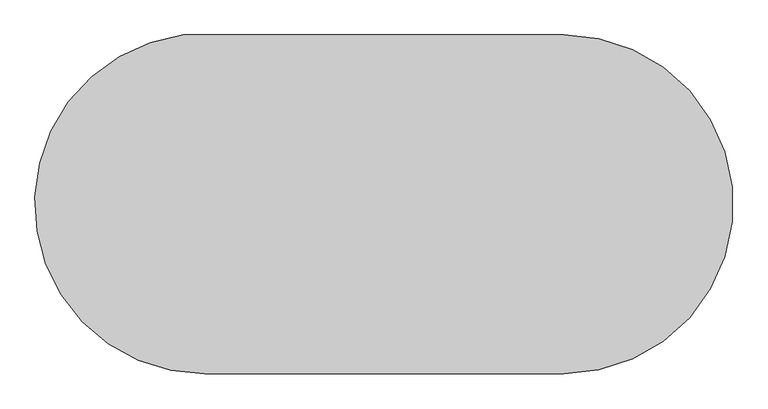
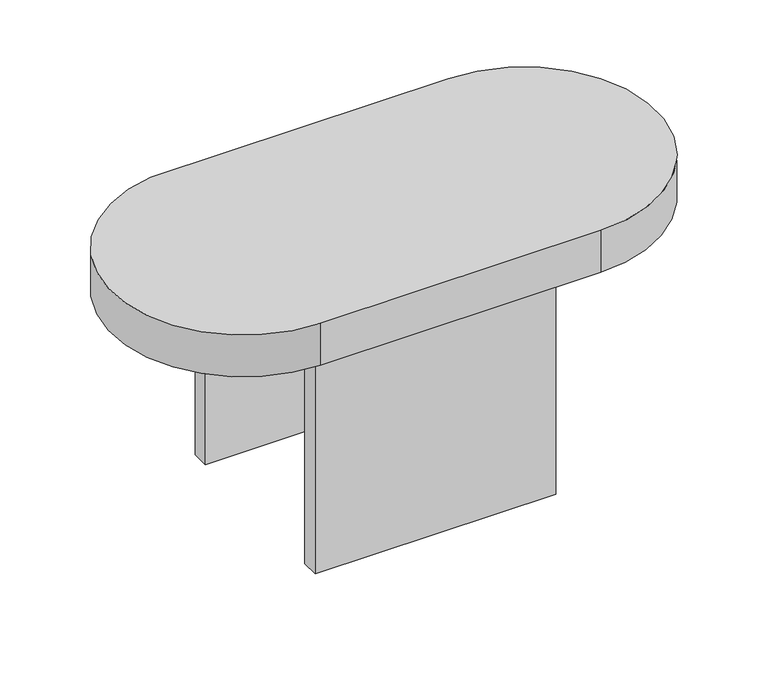
"""IFC4 building model written with IfcOpenShell, lengths in millimetres: furniture geometry."""

from ifc_helpers import new_model, si_unit, frame, origin, place, context, project, spatial, circle_curve, source, transform, mapped, element, save
from ifc_brep_helpers import plane_surface, cylinder_surface, advanced_brep


def furniture_6eb7ba29(model_context):
    return source(origin(), model_context, "Body", "AdvancedBrep", [
        advanced_brep(
        [(312.3276819, 280.0, 650.0), (-359.7199768, 280.0, 650.0), (-321.9406195, -318.5556238, 650.0), (312.3276819, -318.5556238, 650.0), (312.3276819, 280.0, 550.0), (312.3276819, -318.5556238, 550.0), (-321.9406195, -318.5556238, 550.0), (-359.7199768, 280.0, 550.0), (250.0, 180.0, 550.0), (250.0, 220.0, 550.0), (-294.3474472, 220.0, 550.0), (-294.3474472, 180.0, 550.0), (250.0, -250.0, 550.0), (250.0, -210.0, 550.0), (-294.3474472, -210.0, 550.0), (-294.3474472, -250.0, 550.0), (250.0, 220.0, 0.0), (250.0, 180.0, 0.0), (250.0, -250.0, 0.0), (250.0, -210.0, 0.0), (-294.3474472, 220.0, 0.0), (-294.3474472, 180.0, 0.0), (-294.3474472, -210.0, 0.0), (-294.3474472, -250.0, 0.0)],
        [
            (0, 1),
            (1, 2, circle_curve(frame((-321.9406195, -18.0855419, 650.0), z_axis=(0.0, 0.0, 1.0), x_axis=(0.0, -1.0, 0.0)), 300.4700819)),
            (2, 3),
            (3, 0, circle_curve(frame((312.3276819, -19.2778119, 650.0), z_axis=(0.0, 0.0, 1.0), x_axis=(0.0, -1.0, 0.0)), 299.2778119)),
            (4, 5, circle_curve(frame((312.3276819, -19.2778119, 550.0), z_axis=(0.0, 0.0, -1.0), x_axis=(0.0, -1.0, 0.0)), 299.2778119)),
            (5, 6),
            (6, 7, circle_curve(frame((-321.9406195, -18.0855419, 550.0), z_axis=(0.0, 0.0, -1.0), x_axis=(0.0, -1.0, 0.0)), 300.4700819)),
            (7, 4),
            (8, 9),
            (9, 10),
            (10, 11),
            (11, 8),
            (12, 13),
            (13, 14),
            (14, 15),
            (15, 12),
            (0, 4),
            (7, 1),
            (6, 2),
            (5, 3),
            (16, 9),
            (8, 17),
            (17, 16),
            (12, 18),
            (18, 19),
            (19, 13),
            (20, 21),
            (21, 11),
            (10, 20),
            (14, 22),
            (22, 23),
            (23, 15),
            (16, 20),
            (21, 17),
            (23, 18),
            (22, 19),
        ],
        [
            plane_surface(frame((312.3276819, 280.0, 650.0), z_axis=(0.0, 0.0, 1.0), x_axis=(-1.0, 0.0, 0.0))),
            plane_surface(frame((312.3276819, 280.0, 550.0), z_axis=(0.0, 0.0, -1.0), x_axis=(1.0, 0.0, 0.0))),
            plane_surface(frame((312.3276819, 280.0, 650.0), z_axis=(0.0, 1.0, 0.0), x_axis=(0.0, 0.0, -1.0))),
            cylinder_surface(frame((-321.9406195, -18.0855419, 550.0), z_axis=(0.0, 0.0, 1.0), x_axis=(0.0, -1.0, 0.0)), 300.4700819),
            plane_surface(frame((-321.9406195, -318.5556238, 650.0), z_axis=(0.0, -1.0, 0.0), x_axis=(0.0, 0.0, -1.0))),
            cylinder_surface(frame((312.3276819, -19.2778119, 550.0), z_axis=(0.0, 0.0, 1.0), x_axis=(0.0, -1.0, 0.0)), 299.2778119),
            plane_surface(frame((250.0, 220.0, 550.0), z_axis=(1.0, 0.0, 0.0), x_axis=(0.0, 0.0, 1.0))),
            plane_surface(frame((-294.3474472, 220.0, 550.0), z_axis=(-1.0, 0.0, 0.0), x_axis=(0.0, 0.0, -1.0))),
            plane_surface(frame((250.0, 220.0, 0.0), z_axis=(0.0, 1.0, 0.0), x_axis=(-1.0, 0.0, 0.0))),
            plane_surface(frame((250.0, 180.0, 550.0), z_axis=(0.0, -1.0, 0.0), x_axis=(-1.0, 0.0, 0.0))),
            plane_surface(frame((250.0, 180.0, 0.0), z_axis=(0.0, 0.0, -1.0), x_axis=(-1.0, 0.0, 0.0))),
            plane_surface(frame((250.0, -250.0, 550.0), z_axis=(0.0, -1.0, 0.0), x_axis=(-1.0, 0.0, 0.0))),
            plane_surface(frame((250.0, -250.0, 0.0), z_axis=(0.0, 0.0, -1.0), x_axis=(-1.0, 0.0, 0.0))),
            plane_surface(frame((250.0, -210.0, 0.0), z_axis=(0.0, 1.0, 0.0), x_axis=(-1.0, 0.0, 0.0))),
        ],
        [
            (0, [[1, 2, 3, 4]]),
            (1, [[5, 6, 7, 8], [9, 10, 11, 12], [13, 14, 15, 16]]),
            (2, [[-1, 17, -8, 18]]),
            (3, [[-2, -18, -7, 19]]),
            (4, [[-3, -19, -6, 20]]),
            (5, [[-4, -20, -5, -17]]),
            (6, [[21, -9, 22, 23]]),
            (6, [[24, 25, 26, -13]]),
            (7, [[27, 28, -11, 29]]),
            (7, [[30, 31, 32, -15]]),
            (8, [[-21, 33, -29, -10]]),
            (9, [[-22, -12, -28, 34]]),
            (10, [[-23, -34, -27, -33]]),
            (11, [[-24, -16, -32, 35]]),
            (12, [[-25, -35, -31, 36]]),
            (13, [[-26, -36, -30, -14]]),
        ],
    ),
    ])


if __name__ == "__main__":
    model = new_model("IFC4")
    model_context = context("Model", 3, world=origin())
    ifc_project = project(units=[si_unit("LENGTHUNIT", "METRE", prefix="MILLI")], contexts=[model_context])
    site = spatial("IfcSite", under=ifc_project)
    building = spatial("IfcBuilding", under=site)
    placement = place(None, origin())
    furniture_shape = furniture_6eb7ba29(model_context)
    element("IfcFurniture", 1, at=placement, inside=building, context=model_context, shape_type="MappedRepresentation", body=[
        mapped(furniture_shape, transform((0.0, 0.0, 0.0), x_axis=(1.0, 0.0, 0.0), y_axis=(0.0, 1.0, 0.0), z_axis=(0.0, 0.0, 1.0))),
    ])
    save(model, "model.ifc")
